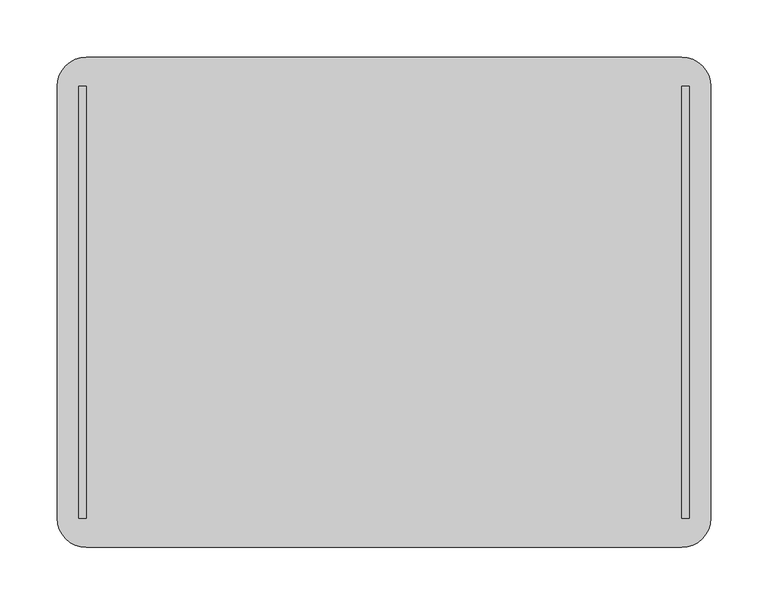
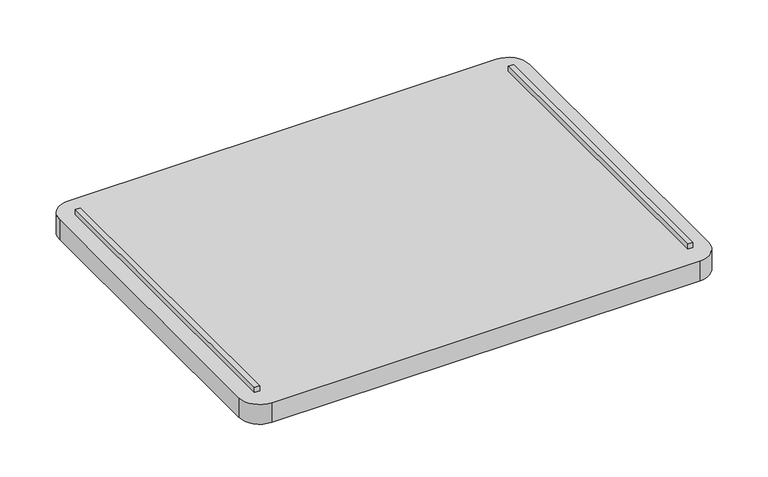
"""IFC4 building model written with IfcOpenShell, lengths in millimetres: furniture geometry."""

from ifc_helpers import new_model, si_unit, point, frame, frame_2d, origin, place, context, project, spatial, polyline, circle_curve, trimmed, segment, composite_curve, outline, extrude, source, transform, mapped, element, save


def furniture_c6e864c8(model_context):
    return source(origin(), model_context, "Body", "SweptSolid", [
        extrude(outline(polyline([(-260.35, -188.9125), (-266.7, -188.9125), (-266.7, 188.9125), (-260.35, 188.9125), (-260.35, -188.9125)])), frame((0.0, 0.0, 816.97322), z_axis=(0.0, 0.0, 1.0), x_axis=(1.0, 0.0, 0.0)), (0.0, 0.0, 1.0), 6.35),
        extrude(outline(polyline([(266.7, -188.9125), (260.35, -188.9125), (260.35, 188.9125), (266.7, 188.9125), (266.7, -188.9125)])), frame((0.0, 0.0, 816.97322), z_axis=(0.0, 0.0, 1.0), x_axis=(1.0, 0.0, 0.0)), (0.0, 0.0, 1.0), 6.35),
        extrude(outline(composite_curve([segment(trimmed(circle_curve(frame_2d((260.35, 188.9125)), 25.4), [point((260.35, 214.3125))], [point((285.75, 188.9125))], False, "CARTESIAN"), True, "CONTINUOUS"), segment(polyline([(285.75, 188.9125), (285.75, -188.9125)]), True, "CONTINUOUS"), segment(trimmed(circle_curve(frame_2d((260.35, -188.9125)), 25.4), [point((285.75, -188.9125))], [point((260.35, -214.3125))], False, "CARTESIAN"), True, "CONTINUOUS"), segment(polyline([(260.35, -214.3125), (-260.35, -214.3125)]), True, "CONTINUOUS"), segment(trimmed(circle_curve(frame_2d((-260.35, -188.9125)), 25.4), [point((-260.35, -214.3125))], [point((-285.75, -188.9125))], False, "CARTESIAN"), True, "CONTINUOUS"), segment(polyline([(-285.75, -188.9125), (-285.75, 188.9125)]), True, "CONTINUOUS"), segment(trimmed(circle_curve(frame_2d((-260.35, 188.9125)), 25.4), [point((-285.75, 188.9125))], [point((-260.35, 214.3125))], False, "CARTESIAN"), True, "CONTINUOUS"), segment(polyline([(-260.35, 214.3125), (260.35, 214.3125)]), True, "CONTINUOUS")], self_intersect=False)), frame((0.0, 0.0, 791.57322), z_axis=(0.0, 0.0, 1.0), x_axis=(1.0, 0.0, 0.0)), (0.0, 0.0, 1.0), 25.4),
    ])


if __name__ == "__main__":
    model = new_model("IFC4")
    model_context = context("Model", 3, world=origin())
    ifc_project = project(units=[si_unit("LENGTHUNIT", "METRE", prefix="MILLI")], contexts=[model_context])
    site = spatial("IfcSite", under=ifc_project)
    building = spatial("IfcBuilding", under=site)
    placement = place(None, origin())
    furniture_shape = furniture_c6e864c8(model_context)
    element("IfcFurniture", 1, at=placement, inside=building, context=model_context, shape_type="MappedRepresentation", body=[
        mapped(furniture_shape, transform((0.0, 0.0, 0.0), x_axis=(1.0, 0.0, 0.0), y_axis=(0.0, 1.0, 0.0), z_axis=(0.0, 0.0, 1.0))),
    ])
    save(model, "model.ifc")
